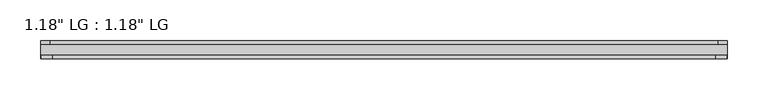
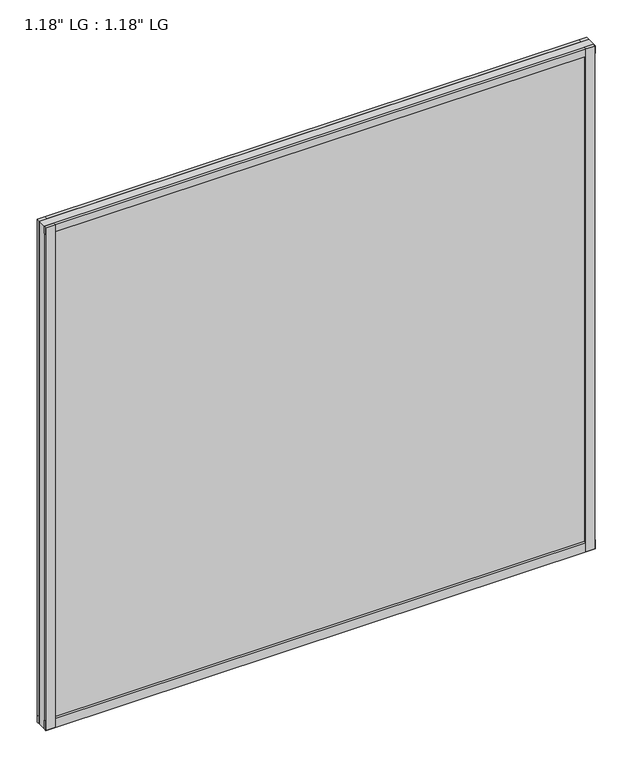
"""IFC4 building model written with IfcOpenShell, lengths in millimetres: plate geometry."""

from ifc_helpers import new_model, si_unit, frame, origin, origin_with_axes, place, context, project, spatial, polyline, outline, extrude, source, transform, mapped, element, save


def plate_077f5afb(model_context):
    return source(origin(), model_context, "Body", "SweptSolid", [
        extrude(outline(polyline([(423.068369, 58.8264), (411.6157724, 58.8264), (411.6157724, 63.5), (423.068369, 63.5), (423.068369, 58.8264)])), origin_with_axes(), (0.0, 0.0, 1.0), 818.7785413),
        extrude(outline(polyline([(408.8490451, 45.212), (422.2527656, 45.212), (422.2527656, 41.021), (408.8490451, 41.021), (408.8490451, 45.212)])), origin_with_axes(), (0.0, 0.0, 1.0), 818.7785413),
        extrude(outline(polyline([(-411.5505603, 63.5), (-411.5505603, 58.8264), (-423.068369, 58.8264), (-423.068369, 63.5), (-411.5505603, 63.5)])), origin_with_axes(), (0.0, 0.0, 1.0), 818.7785413),
        extrude(outline(polyline([(-408.8593202, 45.212), (-408.8593202, 41.021), (-422.2527656, 41.021), (-422.2527656, 45.212), (-408.8593202, 45.212)])), origin_with_axes(), (0.0, 0.0, 1.0), 818.7785413),
        extrude(outline(polyline([(423.068369, 63.5), (423.068369, 58.8264), (-423.068369, 58.8264), (-423.068369, 63.5), (423.068369, 63.5)])), origin_with_axes(), (0.0, 0.0, 1.0), 11.444324),
        extrude(outline(polyline([(423.068369, 45.212), (423.068369, 41.021), (-423.068369, 41.021), (-423.068369, 45.212), (423.068369, 45.212)])), origin_with_axes(), (0.0, 0.0, 1.0), 14.1703966),
        extrude(outline(polyline([(423.068369, 63.5), (423.068369, 58.8264), (-423.068369, 58.8264), (-423.068369, 63.5), (423.068369, 63.5)])), frame((0.0, 0.0, 807.1134386), z_axis=(0.0, 0.0, 1.0), x_axis=(1.0, 0.0, 0.0)), (0.0, 0.0, 1.0), 11.6651026),
        extrude(outline(polyline([(423.068369, 45.212), (423.068369, 41.021), (-423.068369, 41.021), (-423.068369, 45.212), (423.068369, 45.212)])), frame((0.0, 0.0, 807.1134386), z_axis=(0.0, 0.0, 1.0), x_axis=(1.0, 0.0, 0.0)), (0.0, 0.0, 1.0), 11.6651026),
        extrude(outline(polyline([(423.068369, 58.8264), (423.068369, 45.212), (-423.068369, 45.212), (-423.068369, 58.8264), (423.068369, 58.8264)])), origin_with_axes(), (0.0, 0.0, 1.0), 818.7785413),
    ])


if __name__ == "__main__":
    model = new_model("IFC4")
    model_context = context("Model", 3, world=origin())
    ifc_project = project(units=[si_unit("LENGTHUNIT", "METRE", prefix="MILLI")], contexts=[model_context])
    site = spatial("IfcSite", under=ifc_project)
    building = spatial("IfcBuilding", under=site)
    placement = place(None, origin())
    plate_shape = plate_077f5afb(model_context)
    element("IfcPlate", 1, ObjectType="1.18\" LG : 1.18\" LG", at=placement, inside=building, context=model_context, shape_type="MappedRepresentation", body=[
        mapped(plate_shape, transform((0.0, 0.0, 0.0), x_axis=(1.0, 0.0, 0.0), y_axis=(0.0, 1.0, 0.0), z_axis=(0.0, 0.0, 1.0))),
    ])
    save(model, "model.ifc")
